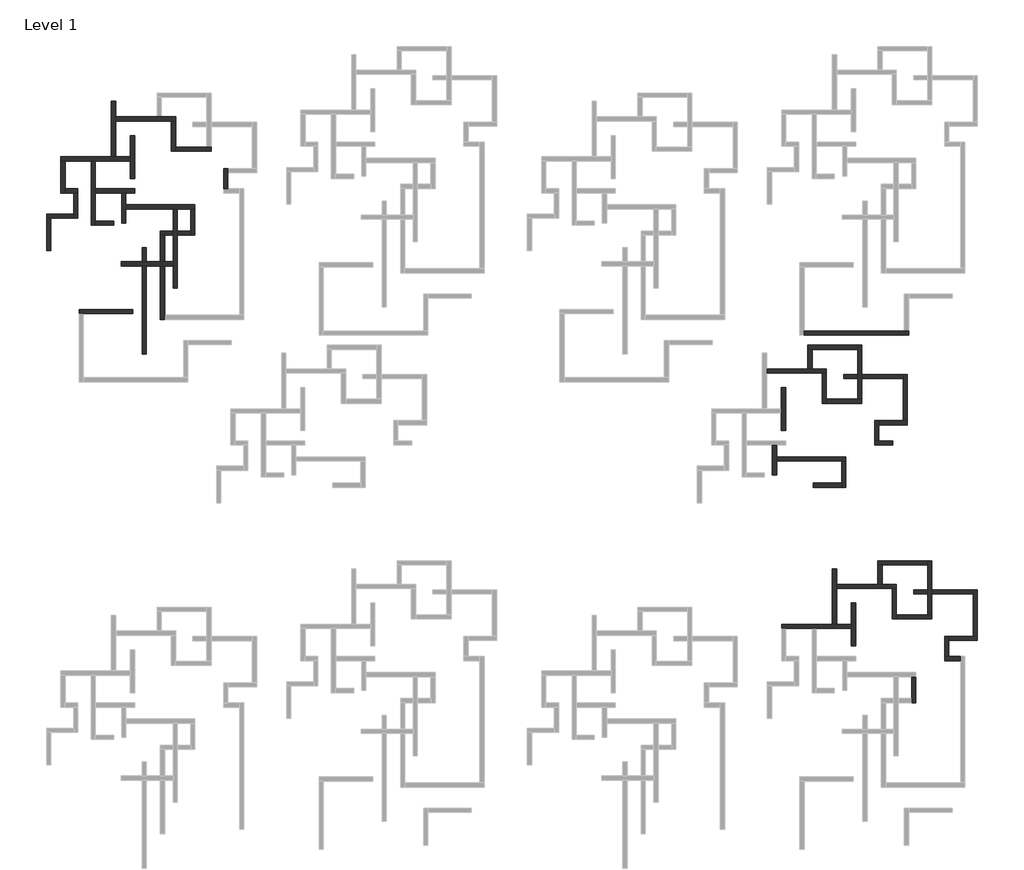
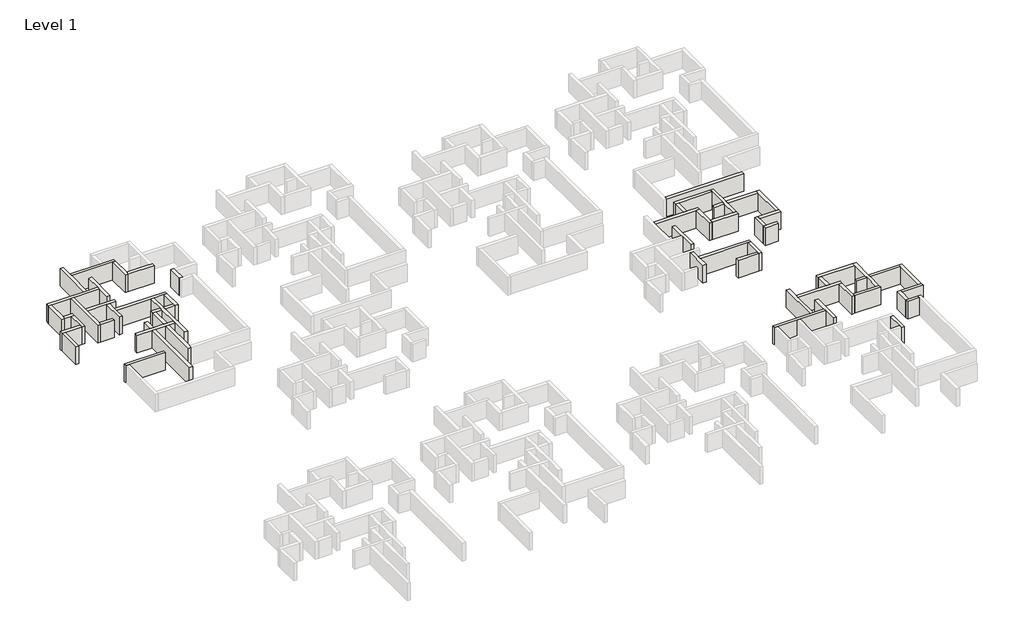
# One storey, part 5 of 7: 56 walls.
"""IFC4 building model written with IfcOpenShell, lengths in millimetres."""

from ifc_helpers import new_model, si_unit, origin, origin_with_axes, place, context, project, spatial, polyline, outline, extrude, faceted_brep, element, save

model = new_model("IFC4")

# Units and contexts
model_context = context("Model", 3, world=origin())
ifc_project = project(units=[si_unit("LENGTHUNIT", "METRE", prefix="MILLI")], contexts=[model_context])

# Site, building, storey
site = spatial("IfcSite", under=ifc_project)
building = spatial("IfcBuilding", under=site)
storey = spatial("IfcBuildingStorey", under=building, Name="Level 1", Elevation=0.0)

# Walls
placement = place(None, origin())
element("IfcWall", 1, ObjectType="Generic - 200mm", at=placement, inside=storey, context=model_context, shape_type="Brep", body=[
    faceted_brep([(-19634.8033404, 18137.4534844, 0.0), (-19134.8033404, 18137.4534844, 0.0), (-16034.8033404, 18137.4534844, 0.0), (-15534.8033404, 18137.4534844, 0.0), (-11384.8033404, 18137.4534844, 0.0), (-11384.8033404, 18137.4534844, 3000.0), (-15534.8033404, 18137.4534844, 3000.0), (-16034.8033404, 18137.4534844, 3000.0), (-19134.8033404, 18137.4534844, 3000.0), (-19634.8033404, 18137.4534844, 3000.0), (-19634.8033404, 18637.4534844, 0.0), (-19634.8033404, 18637.4534844, 3000.0), (-13634.8033404, 18637.4534844, 3000.0), (-13134.8033404, 18637.4534844, 3000.0), (-11384.8033404, 18637.4534844, 3000.0), (-11384.8033404, 18637.4534844, 0.0), (-13134.8033404, 18637.4534844, 0.0), (-13634.8033404, 18637.4534844, 0.0)], [[[0, 1, 2, 3, 4, 5, 6, 7, 8, 9]], [[10, 11, 12, 13, 14, 15, 16, 17]], [[4, 3, 2, 1, 0, 10, 17, 16, 15]], [[9, 8, 7, 6, 5, 14, 13, 12, 11]], [[0, 9, 11, 10]], [[5, 4, 15, 14]]]),
])
element("IfcWall", 2, ObjectType="Generic - 200mm", at=placement, inside=storey, context=model_context, shape_type="Brep", body=[
    faceted_brep([(-16034.8033404, 18137.4534844, 0.0), (-16034.8033404, 10537.4534844, 0.0), (-16034.8033404, 10537.4534844, 3000.0), (-16034.8033404, 18137.4534844, 3000.0), (-15534.8033404, 18137.4534844, 0.0), (-15534.8033404, 18137.4534844, 3000.0), (-15534.8033404, 14837.4534844, 3000.0), (-15534.8033404, 14337.4534844, 3000.0), (-15534.8033404, 11037.4534844, 3000.0), (-15534.8033404, 10537.4534844, 3000.0), (-15534.8033404, 10537.4534844, 0.0), (-15534.8033404, 11037.4534844, 0.0), (-15534.8033404, 14337.4534844, 0.0), (-15534.8033404, 14837.4534844, 0.0)], [[[0, 1, 2, 3]], [[4, 5, 6, 7, 8, 9, 10, 11, 12, 13]], [[1, 0, 4, 13, 12, 11, 10]], [[3, 2, 9, 8, 7, 6, 5]], [[0, 3, 5, 4]], [[2, 1, 10, 9]]]),
])
element("IfcWall", 3, ObjectType="Generic - 200mm", at=placement, inside=storey, context=model_context, shape_type="Brep", body=[
    faceted_brep([(-15534.8033404, 14337.4534844, 0.0), (-12434.8033404, 14337.4534844, 0.0), (-11934.8033404, 14337.4534844, 0.0), (-10884.8033404, 14337.4534844, 0.0), (-10884.8033404, 14337.4534844, 3000.0), (-11934.8033404, 14337.4534844, 3000.0), (-12434.8033404, 14337.4534844, 3000.0), (-15534.8033404, 14337.4534844, 3000.0), (-15534.8033404, 14837.4534844, 0.0), (-15534.8033404, 14837.4534844, 3000.0), (-10884.8033404, 14837.4534844, 3000.0), (-10884.8033404, 14837.4534844, 0.0)], [[[0, 1, 2, 3, 4, 5, 6, 7]], [[8, 9, 10, 11]], [[3, 2, 1, 0, 8, 11]], [[4, 3, 11, 10]], [[7, 6, 5, 4, 10, 9]], [[0, 7, 9, 8]]]),
])
element("IfcWall", 4, ObjectType="Generic - 200mm", at=placement, inside=storey, context=model_context, shape_type="Brep", body=[
    faceted_brep([(-12434.8033404, 14337.4534844, 0.0), (-12434.8033404, 10787.4534844, 0.0), (-12434.8033404, 10787.4534844, 3000.0), (-12434.8033404, 14337.4534844, 3000.0), (-11934.8033404, 14337.4534844, 0.0), (-11934.8033404, 14337.4534844, 3000.0), (-11934.8033404, 12937.4534844, 3000.0), (-11934.8033404, 12437.4534844, 3000.0), (-11934.8033404, 10787.4534844, 3000.0), (-11934.8033404, 10787.4534844, 0.0), (-11934.8033404, 12437.4534844, 0.0), (-11934.8033404, 12937.4534844, 0.0)], [[[0, 1, 2, 3]], [[4, 5, 6, 7, 8, 9, 10, 11]], [[1, 0, 4, 11, 10, 9]], [[2, 1, 9, 8]], [[3, 2, 8, 7, 6, 5]], [[0, 3, 5, 4]]]),
])
element("IfcWall", 5, ObjectType="Generic - 200mm", at=placement, inside=storey, context=model_context, shape_type="Brep", body=[
    faceted_brep([(-19634.8033404, 18137.4534844, 0.0), (-19634.8033404, 14337.4534844, 0.0), (-19634.8033404, 14337.4534844, 3000.0), (-19634.8033404, 18137.4534844, 3000.0), (-19134.8033404, 18137.4534844, 0.0), (-19134.8033404, 18137.4534844, 3000.0), (-19134.8033404, 14837.4534844, 3000.0), (-19134.8033404, 14337.4534844, 3000.0), (-19134.8033404, 14337.4534844, 0.0), (-19134.8033404, 14837.4534844, 0.0)], [[[0, 1, 2, 3]], [[4, 5, 6, 7, 8, 9]], [[1, 0, 4, 9, 8]], [[3, 2, 7, 6, 5]], [[0, 3, 5, 4]], [[2, 1, 8, 7]]]),
])
element("IfcWall", 6, ObjectType="Generic - 200mm", at=placement, inside=storey, context=model_context, shape_type="Brep", body=[
    faceted_brep([(-19134.8033404, 14337.4534844, 0.0), (-18134.8033404, 14337.4534844, 0.0), (-17634.8033404, 14337.4534844, 0.0), (-17634.8033404, 14337.4534844, 3000.0), (-18134.8033404, 14337.4534844, 3000.0), (-19134.8033404, 14337.4534844, 3000.0), (-19134.8033404, 14837.4534844, 0.0), (-19134.8033404, 14837.4534844, 3000.0), (-17634.8033404, 14837.4534844, 3000.0), (-17634.8033404, 14837.4534844, 0.0)], [[[0, 1, 2, 3, 4, 5]], [[6, 7, 8, 9]], [[2, 1, 0, 6, 9]], [[5, 4, 3, 8, 7]], [[0, 5, 7, 6]], [[3, 2, 9, 8]]]),
])
element("IfcWall", 7, ObjectType="Generic - 200mm", at=placement, inside=storey, context=model_context, shape_type="Brep", body=[
    faceted_brep([(-18134.8033404, 14337.4534844, 0.0), (-18134.8033404, 11837.4534844, 0.0), (-18134.8033404, 11337.4534844, 0.0), (-18134.8033404, 11337.4534844, 3000.0), (-18134.8033404, 11837.4534844, 3000.0), (-18134.8033404, 14337.4534844, 3000.0), (-17634.8033404, 14337.4534844, 0.0), (-17634.8033404, 14337.4534844, 3000.0), (-17634.8033404, 11337.4534844, 3000.0), (-17634.8033404, 11337.4534844, 0.0)], [[[0, 1, 2, 3, 4, 5]], [[6, 7, 8, 9]], [[2, 1, 0, 6, 9]], [[5, 4, 3, 8, 7]], [[0, 5, 7, 6]], [[3, 2, 9, 8]]]),
])
element("IfcWall", 8, ObjectType="Generic - 200mm", at=placement, inside=storey, context=model_context, shape_type="Brep", body=[
    faceted_brep([(-18134.8033404, 11837.4534844, 0.0), (-21334.8033404, 11837.4534844, 0.0), (-21334.8033404, 11837.4534844, 3000.0), (-18134.8033404, 11837.4534844, 3000.0), (-18134.8033404, 11337.4534844, 0.0), (-18134.8033404, 11337.4534844, 3000.0), (-20834.8033404, 11337.4534844, 3000.0), (-21334.8033404, 11337.4534844, 3000.0), (-21334.8033404, 11337.4534844, 0.0), (-20834.8033404, 11337.4534844, 0.0)], [[[0, 1, 2, 3]], [[4, 5, 6, 7, 8, 9]], [[1, 0, 4, 9, 8]], [[3, 2, 7, 6, 5]], [[0, 3, 5, 4]], [[2, 1, 8, 7]]]),
])
element("IfcWall", 9, ObjectType="Generic - 200mm", at=placement, inside=storey, context=model_context, shape_type="SweptSolid", body=[
    extrude(outline(polyline([(-21334.8033404, 7487.4534844), (-21334.8033404, 11337.4534844), (-20834.8033404, 11337.4534844), (-20834.8033404, 7487.4534844), (-21334.8033404, 7487.4534844)])), origin_with_axes(), (0.0, 0.0, 1.0), 3000.0),
])
element("IfcWall", 10, ObjectType="Generic - 200mm", at=placement, inside=storey, context=model_context, shape_type="SweptSolid", body=[
    extrude(outline(polyline([(-13384.8033404, 10537.4534844), (-15534.8033404, 10537.4534844), (-15534.8033404, 11037.4534844), (-13384.8033404, 11037.4534844), (-13384.8033404, 10537.4534844)])), origin_with_axes(), (0.0, 0.0, 1.0), 3000.0),
])
element("IfcWall", 11, ObjectType="Generic - 200mm", at=placement, inside=storey, context=model_context, shape_type="Brep", body=[
    faceted_brep([(-11934.8033404, 12437.4534844, 0.0), (-6334.8033404, 12437.4534844, 0.0), (-5834.8033404, 12437.4534844, 0.0), (-4234.8033404, 12437.4534844, 0.0), (-3734.8033404, 12437.4534844, 0.0), (-3734.8033404, 12437.4534844, 3000.0), (-4234.8033404, 12437.4534844, 3000.0), (-5834.8033404, 12437.4534844, 3000.0), (-6334.8033404, 12437.4534844, 3000.0), (-11934.8033404, 12437.4534844, 3000.0), (-11934.8033404, 12937.4534844, 0.0), (-11934.8033404, 12937.4534844, 3000.0), (-3734.8033404, 12937.4534844, 3000.0), (-3734.8033404, 12937.4534844, 0.0)], [[[0, 1, 2, 3, 4, 5, 6, 7, 8, 9]], [[10, 11, 12, 13]], [[4, 3, 2, 1, 0, 10, 13]], [[9, 8, 7, 6, 5, 12, 11]], [[0, 9, 11, 10]], [[5, 4, 13, 12]]]),
])
element("IfcWall", 12, ObjectType="Generic - 200mm", at=placement, inside=storey, context=model_context, shape_type="Brep", body=[
    faceted_brep([(-6334.8033404, 12437.4534844, 0.0), (-6334.8033404, 9837.4534844, 0.0), (-6334.8033404, 9337.4534844, 0.0), (-6334.8033404, 6187.4534844, 0.0), (-6334.8033404, 5687.4534844, 0.0), (-6334.8033404, 3037.4534844, 0.0), (-6334.8033404, 3037.4534844, 3000.0), (-6334.8033404, 5687.4534844, 3000.0), (-6334.8033404, 6187.4534844, 3000.0), (-6334.8033404, 9337.4534844, 3000.0), (-6334.8033404, 9837.4534844, 3000.0), (-6334.8033404, 12437.4534844, 3000.0), (-5834.8033404, 12437.4534844, 0.0), (-5834.8033404, 12437.4534844, 3000.0), (-5834.8033404, 9837.4534844, 3000.0), (-5834.8033404, 9337.4534844, 3000.0), (-5834.8033404, 3037.4534844, 3000.0), (-5834.8033404, 3037.4534844, 0.0), (-5834.8033404, 9337.4534844, 0.0), (-5834.8033404, 9837.4534844, 0.0)], [[[0, 1, 2, 3, 4, 5, 6, 7, 8, 9, 10, 11]], [[12, 13, 14, 15, 16, 17, 18, 19]], [[5, 4, 3, 2, 1, 0, 12, 19, 18, 17]], [[6, 5, 17, 16]], [[11, 10, 9, 8, 7, 6, 16, 15, 14, 13]], [[0, 11, 13, 12]]]),
])
element("IfcWall", 13, ObjectType="Generic - 200mm", at=placement, inside=storey, context=model_context, shape_type="Brep", body=[
    faceted_brep([(-6334.8033404, 6187.4534844, 0.0), (-7334.8033404, 6187.4534844, 0.0), (-7834.8033404, 6187.4534844, 0.0), (-9515.2174513, 6187.4534844, 0.0), (-10015.2174513, 6187.4534844, 0.0), (-12484.8033404, 6187.4534844, 0.0), (-12484.8033404, 6187.4534844, 3000.0), (-10015.2174513, 6187.4534844, 3000.0), (-9515.2174513, 6187.4534844, 3000.0), (-7834.8033404, 6187.4534844, 3000.0), (-7334.8033404, 6187.4534844, 3000.0), (-6334.8033404, 6187.4534844, 3000.0), (-6334.8033404, 5687.4534844, 0.0), (-6334.8033404, 5687.4534844, 3000.0), (-7334.8033404, 5687.4534844, 3000.0), (-7834.8033404, 5687.4534844, 3000.0), (-9515.2174513, 5687.4534844, 3000.0), (-10015.2174513, 5687.4534844, 3000.0), (-12484.8033404, 5687.4534844, 3000.0), (-12484.8033404, 5687.4534844, 0.0), (-10015.2174513, 5687.4534844, 0.0), (-9515.2174513, 5687.4534844, 0.0), (-7834.8033404, 5687.4534844, 0.0), (-7334.8033404, 5687.4534844, 0.0)], [[[0, 1, 2, 3, 4, 5, 6, 7, 8, 9, 10, 11]], [[12, 13, 14, 15, 16, 17, 18, 19, 20, 21, 22, 23]], [[5, 4, 3, 2, 1, 0, 12, 23, 22, 21, 20, 19]], [[6, 5, 19, 18]], [[11, 10, 9, 8, 7, 6, 18, 17, 16, 15, 14, 13]], [[0, 11, 13, 12]]]),
])
element("IfcWall", 14, ObjectType="Generic - 200mm", at=placement, inside=storey, context=model_context, shape_type="Brep", body=[
    faceted_brep([(-13134.8033404, 18637.4534844, 0.0), (-13134.8033404, 22887.4534844, 0.0), (-13134.8033404, 23387.4534844, 0.0), (-13134.8033404, 25237.4534844, 0.0), (-13134.8033404, 25237.4534844, 3000.0), (-13134.8033404, 23387.4534844, 3000.0), (-13134.8033404, 22887.4534844, 3000.0), (-13134.8033404, 18637.4534844, 3000.0), (-13634.8033404, 18637.4534844, 0.0), (-13634.8033404, 18637.4534844, 3000.0), (-13634.8033404, 25237.4534844, 3000.0), (-13634.8033404, 25237.4534844, 0.0)], [[[0, 1, 2, 3, 4, 5, 6, 7]], [[8, 9, 10, 11]], [[3, 2, 1, 0, 8, 11]], [[4, 3, 11, 10]], [[7, 6, 5, 4, 10, 9]], [[0, 7, 9, 8]]]),
])
element("IfcWall", 15, ObjectType="Generic - 200mm", at=placement, inside=storey, context=model_context, shape_type="Brep", body=[
    faceted_brep([(-13134.8033404, 22887.4534844, 0.0), (-6534.8033404, 22887.4534844, 0.0), (-6034.8033404, 22887.4534844, 0.0), (-6034.8033404, 22887.4534844, 3000.0), (-6534.8033404, 22887.4534844, 3000.0), (-13134.8033404, 22887.4534844, 3000.0), (-13134.8033404, 23387.4534844, 0.0), (-13134.8033404, 23387.4534844, 3000.0), (-8234.8033404, 23387.4534844, 3000.0), (-7734.8033404, 23387.4534844, 3000.0), (-6034.8033404, 23387.4534844, 3000.0), (-6034.8033404, 23387.4534844, 0.0), (-7734.8033404, 23387.4534844, 0.0), (-8234.8033404, 23387.4534844, 0.0)], [[[0, 1, 2, 3, 4, 5]], [[6, 7, 8, 9, 10, 11, 12, 13]], [[2, 1, 0, 6, 13, 12, 11]], [[5, 4, 3, 10, 9, 8, 7]], [[0, 5, 7, 6]], [[3, 2, 11, 10]]]),
])
element("IfcWall", 16, ObjectType="Generic - 200mm", at=placement, inside=storey, context=model_context, shape_type="Brep", body=[
    faceted_brep([(-10884.8033404, 16070.7509089, 0.0), (-10884.8033404, 21170.7509089, 0.0), (-10884.8033404, 21170.7509089, 3000.0), (-10884.8033404, 16070.7509089, 3000.0), (-11384.8033404, 16070.7509089, 0.0), (-11384.8033404, 16070.7509089, 3000.0), (-11384.8033404, 18137.4534844, 3000.0), (-11384.8033404, 18637.4534844, 3000.0), (-11384.8033404, 21170.7509089, 3000.0), (-11384.8033404, 21170.7509089, 0.0), (-11384.8033404, 18637.4534844, 0.0), (-11384.8033404, 18137.4534844, 0.0)], [[[0, 1, 2, 3]], [[4, 5, 6, 7, 8, 9, 10, 11]], [[1, 0, 4, 11, 10, 9]], [[2, 1, 9, 8]], [[3, 2, 8, 7, 6, 5]], [[0, 3, 5, 4]]]),
])
element("IfcWall", 17, ObjectType="Generic - 200mm", at=placement, inside=storey, context=model_context, shape_type="SweptSolid", body=[
    extrude(outline(polyline([(-9515.2174513, -4735.4605601), (-10015.2174513, -4735.4605601), (-10015.2174513, 5687.4534844), (-9515.2174513, 5687.4534844), (-9515.2174513, -4735.4605601)])), origin_with_axes(), (0.0, 0.0, 1.0), 3000.0),
    extrude(outline(polyline([(-10015.2174513, 7864.5394399), (-9515.2174513, 7864.5394399), (-9515.2174513, 6187.4534844), (-10015.2174513, 6187.4534844), (-10015.2174513, 7864.5394399)])), origin_with_axes(), (0.0, 0.0, 1.0), 3000.0),
])
element("IfcWall", 18, ObjectType="Generic - 200mm", at=placement, inside=storey, context=model_context, shape_type="Brep", body=[
    faceted_brep([(-6534.8033404, 22887.4534844, 0.0), (-6534.8033404, 19287.4534844, 0.0), (-6534.8033404, 19287.4534844, 3000.0), (-6534.8033404, 22887.4534844, 3000.0), (-6034.8033404, 22887.4534844, 0.0), (-6034.8033404, 22887.4534844, 3000.0), (-6034.8033404, 19787.4534844, 3000.0), (-6034.8033404, 19287.4534844, 3000.0), (-6034.8033404, 19287.4534844, 0.0), (-6034.8033404, 19787.4534844, 0.0)], [[[0, 1, 2, 3]], [[4, 5, 6, 7, 8, 9]], [[1, 0, 4, 9, 8]], [[3, 2, 7, 6, 5]], [[0, 3, 5, 4]], [[2, 1, 8, 7]]]),
])
element("IfcWall", 19, ObjectType="Generic - 200mm", at=placement, inside=storey, context=model_context, shape_type="Brep", body=[
    faceted_brep([(-6034.8033404, 19287.4534844, 0.0), (-1834.8033404, 19287.4534844, 0.0), (-1834.8033404, 19287.4534844, 3000.0), (-6034.8033404, 19287.4534844, 3000.0), (-6034.8033404, 19787.4534844, 0.0), (-6034.8033404, 19787.4534844, 3000.0), (-2334.8033404, 19787.4534844, 3000.0), (-1834.8033404, 19787.4534844, 3000.0), (-1834.8033404, 19787.4534844, 0.0), (-2334.8033404, 19787.4534844, 0.0)], [[[0, 1, 2, 3]], [[4, 5, 6, 7, 8, 9]], [[1, 0, 4, 9, 8]], [[3, 2, 7, 6, 5]], [[0, 3, 5, 4]], [[2, 1, 8, 7]]]),
])
element("IfcWall", 20, ObjectType="Generic - 200mm", at=placement, inside=storey, context=model_context, shape_type="Brep", body=[
    faceted_brep([(-4234.8033404, 12437.4534844, 0.0), (-4234.8033404, 9837.4534844, 0.0), (-4234.8033404, 9337.4534844, 0.0), (-4234.8033404, 9337.4534844, 3000.0), (-4234.8033404, 9837.4534844, 3000.0), (-4234.8033404, 12437.4534844, 3000.0), (-3734.8033404, 12437.4534844, 0.0), (-3734.8033404, 12437.4534844, 3000.0), (-3734.8033404, 9337.4534844, 3000.0), (-3734.8033404, 9337.4534844, 0.0)], [[[0, 1, 2, 3, 4, 5]], [[6, 7, 8, 9]], [[2, 1, 0, 6, 9]], [[5, 4, 3, 8, 7]], [[0, 5, 7, 6]], [[3, 2, 9, 8]]]),
])
element("IfcWall", 21, ObjectType="Generic - 200mm", at=placement, inside=storey, context=model_context, shape_type="Brep", body=[
    faceted_brep([(-4234.8033404, 9837.4534844, 3000.0), (-4234.8033404, 9837.4534844, 0.0), (-5834.8033404, 9837.4534844, 0.0), (-5834.8033404, 9837.4534844, 3000.0), (-4234.8033404, 9337.4534844, 0.0), (-4234.8033404, 9337.4534844, 3000.0), (-5834.8033404, 9337.4534844, 3000.0), (-5834.8033404, 9337.4534844, 0.0)], [[[0, 1, 2, 3]], [[4, 5, 6, 7]], [[1, 4, 7, 2]], [[5, 0, 3, 6]], [[1, 0, 5, 4]], [[3, 2, 7, 6]]]),
    faceted_brep([(-7834.8033404, 9837.4534844, 0.0), (-7834.8033404, 9837.4534844, 3000.0), (-6334.8033404, 9837.4534844, 3000.0), (-6334.8033404, 9837.4534844, 0.0), (-7834.8033404, 9337.4534844, 3000.0), (-7834.8033404, 9337.4534844, 0.0), (-7334.8033404, 9337.4534844, 0.0), (-6334.8033404, 9337.4534844, 0.0), (-6334.8033404, 9337.4534844, 3000.0), (-7334.8033404, 9337.4534844, 3000.0)], [[[0, 1, 2, 3]], [[4, 5, 6, 7, 8, 9]], [[5, 0, 3, 7, 6]], [[1, 4, 9, 8, 2]], [[3, 2, 8, 7]], [[1, 0, 5, 4]]]),
])
element("IfcWall", 22, ObjectType="Generic - 200mm", at=placement, inside=storey, context=model_context, shape_type="Brep", body=[
    faceted_brep([(-7834.8033404, 9337.4534844, 3000.0), (-7834.8033404, 9337.4534844, 0.0), (-7834.8033404, 6187.4534844, 0.0), (-7834.8033404, 6187.4534844, 3000.0), (-7334.8033404, 9337.4534844, 0.0), (-7334.8033404, 9337.4534844, 3000.0), (-7334.8033404, 6187.4534844, 3000.0), (-7334.8033404, 6187.4534844, 0.0)], [[[0, 1, 2, 3]], [[4, 5, 6, 7]], [[1, 4, 7, 2]], [[5, 0, 3, 6]], [[1, 0, 5, 4]], [[3, 2, 7, 6]]]),
    faceted_brep([(-7834.8033404, -662.5465156, 0.0), (-7834.8033404, -662.5465156, 3000.0), (-7834.8033404, 5687.4534844, 3000.0), (-7834.8033404, 5687.4534844, 0.0), (-7334.8033404, -662.5465156, 3000.0), (-7334.8033404, -662.5465156, 0.0), (-7334.8033404, -162.5465156, 0.0), (-7334.8033404, 5687.4534844, 0.0), (-7334.8033404, 5687.4534844, 3000.0), (-7334.8033404, -162.5465156, 3000.0)], [[[0, 1, 2, 3]], [[4, 5, 6, 7, 8, 9]], [[5, 0, 3, 7, 6]], [[1, 4, 9, 8, 2]], [[3, 2, 8, 7]], [[1, 0, 5, 4]]]),
])
element("IfcWall", 23, ObjectType="Generic - 200mm", at=placement, inside=storey, context=model_context, shape_type="Brep", body=[
    faceted_brep([(165.1966596, 14837.4534844, 0.0), (165.1966596, 16737.4534844, 0.0), (165.1966596, 17237.4534844, 0.0), (165.1966596, 17237.4534844, 3000.0), (165.1966596, 16737.4534844, 3000.0), (165.1966596, 14837.4534844, 3000.0), (-334.8033404, 14837.4534844, 0.0), (-334.8033404, 14837.4534844, 3000.0), (-334.8033404, 17237.4534844, 3000.0), (-334.8033404, 17237.4534844, 0.0)], [[[0, 1, 2, 3, 4, 5]], [[6, 7, 8, 9]], [[2, 1, 0, 6, 9]], [[5, 4, 3, 8, 7]], [[0, 5, 7, 6]], [[3, 2, 9, 8]]]),
])
element("IfcWall", 24, ObjectType="Generic - 200mm", at=placement, inside=storey, context=model_context, shape_type="Brep", body=[
    faceted_brep([(-11134.8033404, 537.4534844, 0.0), (-17484.8033404, 537.4534844, 0.0), (-17484.8033404, 537.4534844, 3000.0), (-11134.8033404, 537.4534844, 3000.0), (-11134.8033404, 37.4534844, 0.0), (-11134.8033404, 37.4534844, 3000.0), (-16984.8033404, 37.4534844, 3000.0), (-17484.8033404, 37.4534844, 3000.0), (-17484.8033404, 37.4534844, 0.0), (-16984.8033404, 37.4534844, 0.0)], [[[0, 1, 2, 3]], [[4, 5, 6, 7, 8, 9]], [[1, 0, 4, 9, 8]], [[3, 2, 7, 6, 5]], [[0, 3, 5, 4]], [[2, 1, 8, 7]]]),
])
element("IfcWall", 25, ObjectType="Generic - 200mm", at=placement, inside=storey, context=model_context, shape_type="Brep", body=[
    faceted_brep([(68482.3849796, -2529.0856497, 0.0), (80882.3849796, -2529.0856497, 0.0), (80882.3849796, -2529.0856497, 3000.0), (68482.3849796, -2529.0856497, 3000.0), (68482.3849796, -2029.0856497, 0.0), (68482.3849796, -2029.0856497, 3000.0), (80382.3849796, -2029.0856497, 3000.0), (80882.3849796, -2029.0856497, 3000.0), (80882.3849796, -2029.0856497, 0.0), (80382.3849796, -2029.0856497, 0.0)], [[[0, 1, 2, 3]], [[4, 5, 6, 7, 8, 9]], [[1, 0, 4, 9, 8]], [[3, 2, 7, 6, 5]], [[0, 3, 5, 4]], [[2, 1, 8, 7]]]),
])
element("IfcWall", 26, ObjectType="Generic - 200mm", at=placement, inside=storey, context=model_context, shape_type="Brep", body=[
    faceted_brep([(64732.3849796, -15561.6327635, 0.0), (64732.3849796, -19111.6327635, 0.0), (64732.3849796, -19111.6327635, 3000.0), (64732.3849796, -15561.6327635, 3000.0), (65232.3849796, -15561.6327635, 0.0), (65232.3849796, -15561.6327635, 3000.0), (65232.3849796, -16961.6327635, 3000.0), (65232.3849796, -17461.6327635, 3000.0), (65232.3849796, -19111.6327635, 3000.0), (65232.3849796, -19111.6327635, 0.0), (65232.3849796, -17461.6327635, 0.0), (65232.3849796, -16961.6327635, 0.0)], [[[0, 1, 2, 3]], [[4, 5, 6, 7, 8, 9, 10, 11]], [[1, 0, 4, 11, 10, 9]], [[2, 1, 9, 8]], [[3, 2, 8, 7, 6, 5]], [[0, 3, 5, 4]]]),
])
element("IfcWall", 27, ObjectType="Generic - 200mm", at=placement, inside=storey, context=model_context, shape_type="Brep", body=[
    faceted_brep([(65232.3849796, -17461.6327635, 0.0), (72932.3849796, -17461.6327635, 0.0), (73432.3849796, -17461.6327635, 0.0), (73432.3849796, -17461.6327635, 3000.0), (72932.3849796, -17461.6327635, 3000.0), (65232.3849796, -17461.6327635, 3000.0), (65232.3849796, -16961.6327635, 0.0), (65232.3849796, -16961.6327635, 3000.0), (73432.3849796, -16961.6327635, 3000.0), (73432.3849796, -16961.6327635, 0.0)], [[[0, 1, 2, 3, 4, 5]], [[6, 7, 8, 9]], [[2, 1, 0, 6, 9]], [[5, 4, 3, 8, 7]], [[0, 5, 7, 6]], [[3, 2, 9, 8]]]),
])
element("IfcWall", 28, ObjectType="Generic - 200mm", at=placement, inside=storey, context=model_context, shape_type="Brep", body=[
    faceted_brep([(64032.3849796, -7011.6327635, 0.0), (70632.3849796, -7011.6327635, 0.0), (71132.3849796, -7011.6327635, 0.0), (71132.3849796, -7011.6327635, 3000.0), (70632.3849796, -7011.6327635, 3000.0), (64032.3849796, -7011.6327635, 3000.0), (64032.3849796, -6511.6327635, 0.0), (64032.3849796, -6511.6327635, 3000.0), (68932.3849796, -6511.6327635, 3000.0), (69432.3849796, -6511.6327635, 3000.0), (71132.3849796, -6511.6327635, 3000.0), (71132.3849796, -6511.6327635, 0.0), (69432.3849796, -6511.6327635, 0.0), (68932.3849796, -6511.6327635, 0.0)], [[[0, 1, 2, 3, 4, 5]], [[6, 7, 8, 9, 10, 11, 12, 13]], [[2, 1, 0, 6, 13, 12, 11]], [[5, 4, 3, 10, 9, 8, 7]], [[0, 5, 7, 6]], [[3, 2, 11, 10]]]),
])
element("IfcWall", 29, ObjectType="Generic - 200mm", at=placement, inside=storey, context=model_context, shape_type="Brep", body=[
    faceted_brep([(66282.3849796, -13828.3353389, 0.0), (66282.3849796, -8728.3353389, 0.0), (66282.3849796, -8728.3353389, 3000.0), (66282.3849796, -13828.3353389, 3000.0), (65782.3849796, -13828.3353389, 0.0), (65782.3849796, -13828.3353389, 3000.0), (65782.3849796, -11761.6327635, 3000.0), (65782.3849796, -11261.6327635, 3000.0), (65782.3849796, -8728.3353389, 3000.0), (65782.3849796, -8728.3353389, 0.0), (65782.3849796, -11261.6327635, 0.0), (65782.3849796, -11761.6327635, 0.0)], [[[0, 1, 2, 3]], [[4, 5, 6, 7, 8, 9, 10, 11]], [[1, 0, 4, 11, 10, 9]], [[2, 1, 9, 8]], [[3, 2, 8, 7, 6, 5]], [[0, 3, 5, 4]]]),
])
element("IfcWall", 30, ObjectType="Generic - 200mm", at=placement, inside=storey, context=model_context, shape_type="Brep", body=[
    faceted_brep([(70632.3849796, -7011.6327635, 0.0), (70632.3849796, -10611.6327635, 0.0), (70632.3849796, -10611.6327635, 3000.0), (70632.3849796, -7011.6327635, 3000.0), (71132.3849796, -7011.6327635, 0.0), (71132.3849796, -7011.6327635, 3000.0), (71132.3849796, -10111.6327635, 3000.0), (71132.3849796, -10611.6327635, 3000.0), (71132.3849796, -10611.6327635, 0.0), (71132.3849796, -10111.6327635, 0.0)], [[[0, 1, 2, 3]], [[4, 5, 6, 7, 8, 9]], [[1, 0, 4, 9, 8]], [[3, 2, 7, 6, 5]], [[0, 3, 5, 4]], [[2, 1, 8, 7]]]),
])
element("IfcWall", 31, ObjectType="Generic - 200mm", at=placement, inside=storey, context=model_context, shape_type="Brep", body=[
    faceted_brep([(71132.3849796, -10611.6327635, 0.0), (75332.3849796, -10611.6327635, 0.0), (75332.3849796, -10611.6327635, 3000.0), (71132.3849796, -10611.6327635, 3000.0), (71132.3849796, -10111.6327635, 0.0), (71132.3849796, -10111.6327635, 3000.0), (74832.3849796, -10111.6327635, 3000.0), (75332.3849796, -10111.6327635, 3000.0), (75332.3849796, -10111.6327635, 0.0), (74832.3849796, -10111.6327635, 0.0)], [[[0, 1, 2, 3]], [[4, 5, 6, 7, 8, 9]], [[1, 0, 4, 9, 8]], [[3, 2, 7, 6, 5]], [[0, 3, 5, 4]], [[2, 1, 8, 7]]]),
])
element("IfcWall", 32, ObjectType="Generic - 200mm", at=placement, inside=storey, context=model_context, shape_type="Brep", body=[
    faceted_brep([(75332.3849796, -10111.6327635, 0.0), (75332.3849796, -7661.6327635, 0.0), (75332.3849796, -7161.6327635, 0.0), (75332.3849796, -3711.6327635, 0.0), (75332.3849796, -3711.6327635, 3000.0), (75332.3849796, -7161.6327635, 3000.0), (75332.3849796, -7661.6327635, 3000.0), (75332.3849796, -10111.6327635, 3000.0), (74832.3849796, -10111.6327635, 0.0), (74832.3849796, -10111.6327635, 3000.0), (74832.3849796, -7661.6327635, 3000.0), (74832.3849796, -7161.6327635, 3000.0), (74832.3849796, -4211.6327635, 3000.0), (74832.3849796, -3711.6327635, 3000.0), (74832.3849796, -3711.6327635, 0.0), (74832.3849796, -4211.6327635, 0.0), (74832.3849796, -7161.6327635, 0.0), (74832.3849796, -7661.6327635, 0.0)], [[[0, 1, 2, 3, 4, 5, 6, 7]], [[8, 9, 10, 11, 12, 13, 14, 15, 16, 17]], [[3, 2, 1, 0, 8, 17, 16, 15, 14]], [[7, 6, 5, 4, 13, 12, 11, 10, 9]], [[0, 7, 9, 8]], [[4, 3, 14, 13]]]),
])
element("IfcWall", 33, ObjectType="Generic - 200mm", at=placement, inside=storey, context=model_context, shape_type="Brep", body=[
    faceted_brep([(74832.3849796, -3711.6327635, 0.0), (68932.3849796, -3711.6327635, 0.0), (68932.3849796, -3711.6327635, 3000.0), (74832.3849796, -3711.6327635, 3000.0), (74832.3849796, -4211.6327635, 0.0), (74832.3849796, -4211.6327635, 3000.0), (69432.3849796, -4211.6327635, 3000.0), (68932.3849796, -4211.6327635, 3000.0), (68932.3849796, -4211.6327635, 0.0), (69432.3849796, -4211.6327635, 0.0)], [[[0, 1, 2, 3]], [[4, 5, 6, 7, 8, 9]], [[1, 0, 4, 9, 8]], [[3, 2, 7, 6, 5]], [[0, 3, 5, 4]], [[2, 1, 8, 7]]]),
])
element("IfcWall", 34, ObjectType="Generic - 200mm", at=placement, inside=storey, context=model_context, shape_type="SweptSolid", body=[
    extrude(outline(polyline([(68932.3849796, -6511.6327635), (68932.3849796, -4211.6327635), (69432.3849796, -4211.6327635), (69432.3849796, -6511.6327635), (68932.3849796, -6511.6327635)])), origin_with_axes(), (0.0, 0.0, 1.0), 3000.0),
])
element("IfcWall", 35, ObjectType="Generic - 200mm", at=placement, inside=storey, context=model_context, shape_type="Brep", body=[
    faceted_brep([(72932.3849796, -17461.6327635, 0.0), (72932.3849796, -20061.6327635, 0.0), (72932.3849796, -20561.6327635, 0.0), (72932.3849796, -20561.6327635, 3000.0), (72932.3849796, -20061.6327635, 3000.0), (72932.3849796, -17461.6327635, 3000.0), (73432.3849796, -17461.6327635, 0.0), (73432.3849796, -17461.6327635, 3000.0), (73432.3849796, -20561.6327635, 3000.0), (73432.3849796, -20561.6327635, 0.0)], [[[0, 1, 2, 3, 4, 5]], [[6, 7, 8, 9]], [[2, 1, 0, 6, 9]], [[5, 4, 3, 8, 7]], [[0, 5, 7, 6]], [[3, 2, 9, 8]]]),
])
element("IfcWall", 36, ObjectType="Generic - 200mm", at=placement, inside=storey, context=model_context, shape_type="SweptSolid", body=[
    extrude(outline(polyline([(69582.3849796, -20061.6327635), (72932.3849796, -20061.6327635), (72932.3849796, -20561.6327635), (69582.3849796, -20561.6327635), (69582.3849796, -20061.6327635)])), origin_with_axes(), (0.0, 0.0, 1.0), 3000.0),
])
element("IfcWall", 37, ObjectType="Generic - 200mm", at=placement, inside=storey, context=model_context, shape_type="Brep", body=[
    faceted_brep([(78982.3849796, -15061.6327635, 0.0), (77332.3849796, -15061.6327635, 0.0), (76832.3849796, -15061.6327635, 0.0), (76832.3849796, -15061.6327635, 3000.0), (77332.3849796, -15061.6327635, 3000.0), (78982.3849796, -15061.6327635, 3000.0), (78982.3849796, -15561.6327635, 0.0), (78982.3849796, -15561.6327635, 3000.0), (76832.3849796, -15561.6327635, 3000.0), (76832.3849796, -15561.6327635, 0.0)], [[[0, 1, 2, 3, 4, 5]], [[6, 7, 8, 9]], [[2, 1, 0, 6, 9]], [[5, 4, 3, 8, 7]], [[0, 5, 7, 6]], [[3, 2, 9, 8]]]),
])
element("IfcWall", 38, ObjectType="Generic - 200mm", at=placement, inside=storey, context=model_context, shape_type="Brep", body=[
    faceted_brep([(77332.3849796, -15061.6327635, 0.0), (77332.3849796, -13161.6327635, 0.0), (77332.3849796, -12661.6327635, 0.0), (77332.3849796, -12661.6327635, 3000.0), (77332.3849796, -13161.6327635, 3000.0), (77332.3849796, -15061.6327635, 3000.0), (76832.3849796, -15061.6327635, 0.0), (76832.3849796, -15061.6327635, 3000.0), (76832.3849796, -12661.6327635, 3000.0), (76832.3849796, -12661.6327635, 0.0)], [[[0, 1, 2, 3, 4, 5]], [[6, 7, 8, 9]], [[2, 1, 0, 6, 9]], [[5, 4, 3, 8, 7]], [[0, 5, 7, 6]], [[3, 2, 9, 8]]]),
])
element("IfcWall", 39, ObjectType="Generic - 200mm", at=placement, inside=storey, context=model_context, shape_type="Brep", body=[
    faceted_brep([(77332.3849796, -13161.6327635, 0.0), (80732.3849796, -13161.6327635, 0.0), (80732.3849796, -13161.6327635, 3000.0), (77332.3849796, -13161.6327635, 3000.0), (77332.3849796, -12661.6327635, 0.0), (77332.3849796, -12661.6327635, 3000.0), (80232.3849796, -12661.6327635, 3000.0), (80732.3849796, -12661.6327635, 3000.0), (80732.3849796, -12661.6327635, 0.0), (80232.3849796, -12661.6327635, 0.0)], [[[0, 1, 2, 3]], [[4, 5, 6, 7, 8, 9]], [[1, 0, 4, 9, 8]], [[3, 2, 7, 6, 5]], [[0, 3, 5, 4]], [[2, 1, 8, 7]]]),
])
element("IfcWall", 40, ObjectType="Generic - 200mm", at=placement, inside=storey, context=model_context, shape_type="Brep", body=[
    faceted_brep([(80732.3849796, -12661.6327635, 0.0), (80732.3849796, -7161.6327635, 0.0), (80732.3849796, -7161.6327635, 3000.0), (80732.3849796, -12661.6327635, 3000.0), (80232.3849796, -12661.6327635, 0.0), (80232.3849796, -12661.6327635, 3000.0), (80232.3849796, -7661.6327635, 3000.0), (80232.3849796, -7161.6327635, 3000.0), (80232.3849796, -7161.6327635, 0.0), (80232.3849796, -7661.6327635, 0.0)], [[[0, 1, 2, 3]], [[4, 5, 6, 7, 8, 9]], [[1, 0, 4, 9, 8]], [[3, 2, 7, 6, 5]], [[0, 3, 5, 4]], [[2, 1, 8, 7]]]),
])
element("IfcWall", 41, ObjectType="Generic - 200mm", at=placement, inside=storey, context=model_context, shape_type="SweptSolid", body=[
    extrude(outline(polyline([(73182.3849796, -7661.6327635), (73182.3849796, -7161.6327635), (74832.3849796, -7161.6327635), (74832.3849796, -7661.6327635), (73182.3849796, -7661.6327635)])), origin_with_axes(), (0.0, 0.0, 1.0), 3000.0),
    extrude(outline(polyline([(80232.3849796, -7161.6327635), (80232.3849796, -7661.6327635), (75332.3849796, -7661.6327635), (75332.3849796, -7161.6327635), (80232.3849796, -7161.6327635)])), origin_with_axes(), (0.0, 0.0, 1.0), 3000.0),
])
element("IfcWall", 42, ObjectType="Generic - 200mm", at=placement, inside=storey, context=model_context, shape_type="Brep", body=[
    faceted_brep([(65832.3849796, -37329.0856497, 0.0), (66332.3849796, -37329.0856497, 0.0), (69432.3849796, -37329.0856497, 0.0), (69932.3849796, -37329.0856497, 0.0), (74082.3849796, -37329.0856497, 0.0), (74082.3849796, -37329.0856497, 3000.0), (69932.3849796, -37329.0856497, 3000.0), (69432.3849796, -37329.0856497, 3000.0), (66332.3849796, -37329.0856497, 3000.0), (65832.3849796, -37329.0856497, 3000.0), (65832.3849796, -36829.0856497, 0.0), (65832.3849796, -36829.0856497, 3000.0), (71832.3849796, -36829.0856497, 3000.0), (72332.3849796, -36829.0856497, 3000.0), (74082.3849796, -36829.0856497, 3000.0), (74082.3849796, -36829.0856497, 0.0), (72332.3849796, -36829.0856497, 0.0), (71832.3849796, -36829.0856497, 0.0)], [[[0, 1, 2, 3, 4, 5, 6, 7, 8, 9]], [[10, 11, 12, 13, 14, 15, 16, 17]], [[4, 3, 2, 1, 0, 10, 17, 16, 15]], [[9, 8, 7, 6, 5, 14, 13, 12, 11]], [[0, 9, 11, 10]], [[5, 4, 15, 14]]]),
])
element("IfcWall", 43, ObjectType="Generic - 200mm", at=placement, inside=storey, context=model_context, shape_type="Brep", body=[
    faceted_brep([(72332.3849796, -36829.0856497, 0.0), (72332.3849796, -32579.0856497, 0.0), (72332.3849796, -32079.0856497, 0.0), (72332.3849796, -30229.0856497, 0.0), (72332.3849796, -30229.0856497, 3000.0), (72332.3849796, -32079.0856497, 3000.0), (72332.3849796, -32579.0856497, 3000.0), (72332.3849796, -36829.0856497, 3000.0), (71832.3849796, -36829.0856497, 0.0), (71832.3849796, -36829.0856497, 3000.0), (71832.3849796, -30229.0856497, 3000.0), (71832.3849796, -30229.0856497, 0.0)], [[[0, 1, 2, 3, 4, 5, 6, 7]], [[8, 9, 10, 11]], [[3, 2, 1, 0, 8, 11]], [[4, 3, 11, 10]], [[7, 6, 5, 4, 10, 9]], [[0, 7, 9, 8]]]),
])
element("IfcWall", 44, ObjectType="Generic - 200mm", at=placement, inside=storey, context=model_context, shape_type="Brep", body=[
    faceted_brep([(72332.3849796, -32579.0856497, 0.0), (78932.3849796, -32579.0856497, 0.0), (79432.3849796, -32579.0856497, 0.0), (79432.3849796, -32579.0856497, 3000.0), (78932.3849796, -32579.0856497, 3000.0), (72332.3849796, -32579.0856497, 3000.0), (72332.3849796, -32079.0856497, 0.0), (72332.3849796, -32079.0856497, 3000.0), (77232.3849796, -32079.0856497, 3000.0), (77732.3849796, -32079.0856497, 3000.0), (79432.3849796, -32079.0856497, 3000.0), (79432.3849796, -32079.0856497, 0.0), (77732.3849796, -32079.0856497, 0.0), (77232.3849796, -32079.0856497, 0.0)], [[[0, 1, 2, 3, 4, 5]], [[6, 7, 8, 9, 10, 11, 12, 13]], [[2, 1, 0, 6, 13, 12, 11]], [[5, 4, 3, 10, 9, 8, 7]], [[0, 5, 7, 6]], [[3, 2, 11, 10]]]),
])
element("IfcWall", 45, ObjectType="Generic - 200mm", at=placement, inside=storey, context=model_context, shape_type="Brep", body=[
    faceted_brep([(74582.3849796, -39395.7882251, 0.0), (74582.3849796, -34295.7882251, 0.0), (74582.3849796, -34295.7882251, 3000.0), (74582.3849796, -39395.7882251, 3000.0), (74082.3849796, -39395.7882251, 0.0), (74082.3849796, -39395.7882251, 3000.0), (74082.3849796, -37329.0856497, 3000.0), (74082.3849796, -36829.0856497, 3000.0), (74082.3849796, -34295.7882251, 3000.0), (74082.3849796, -34295.7882251, 0.0), (74082.3849796, -36829.0856497, 0.0), (74082.3849796, -37329.0856497, 0.0)], [[[0, 1, 2, 3]], [[4, 5, 6, 7, 8, 9, 10, 11]], [[1, 0, 4, 11, 10, 9]], [[2, 1, 9, 8]], [[3, 2, 8, 7, 6, 5]], [[0, 3, 5, 4]]]),
])
element("IfcWall", 46, ObjectType="Generic - 200mm", at=placement, inside=storey, context=model_context, shape_type="Brep", body=[
    faceted_brep([(78932.3849796, -32579.0856497, 0.0), (78932.3849796, -36179.0856497, 0.0), (78932.3849796, -36179.0856497, 3000.0), (78932.3849796, -32579.0856497, 3000.0), (79432.3849796, -32579.0856497, 0.0), (79432.3849796, -32579.0856497, 3000.0), (79432.3849796, -35679.0856497, 3000.0), (79432.3849796, -36179.0856497, 3000.0), (79432.3849796, -36179.0856497, 0.0), (79432.3849796, -35679.0856497, 0.0)], [[[0, 1, 2, 3]], [[4, 5, 6, 7, 8, 9]], [[1, 0, 4, 9, 8]], [[3, 2, 7, 6, 5]], [[0, 3, 5, 4]], [[2, 1, 8, 7]]]),
])
element("IfcWall", 47, ObjectType="Generic - 200mm", at=placement, inside=storey, context=model_context, shape_type="Brep", body=[
    faceted_brep([(79432.3849796, -36179.0856497, 0.0), (83632.3849796, -36179.0856497, 0.0), (83632.3849796, -36179.0856497, 3000.0), (79432.3849796, -36179.0856497, 3000.0), (79432.3849796, -35679.0856497, 0.0), (79432.3849796, -35679.0856497, 3000.0), (83132.3849796, -35679.0856497, 3000.0), (83632.3849796, -35679.0856497, 3000.0), (83632.3849796, -35679.0856497, 0.0), (83132.3849796, -35679.0856497, 0.0)], [[[0, 1, 2, 3]], [[4, 5, 6, 7, 8, 9]], [[1, 0, 4, 9, 8]], [[3, 2, 7, 6, 5]], [[0, 3, 5, 4]], [[2, 1, 8, 7]]]),
])
element("IfcWall", 48, ObjectType="Generic - 200mm", at=placement, inside=storey, context=model_context, shape_type="Brep", body=[
    faceted_brep([(83632.3849796, -35679.0856497, 0.0), (83632.3849796, -33229.0856497, 0.0), (83632.3849796, -32729.0856497, 0.0), (83632.3849796, -29279.0856497, 0.0), (83632.3849796, -29279.0856497, 3000.0), (83632.3849796, -32729.0856497, 3000.0), (83632.3849796, -33229.0856497, 3000.0), (83632.3849796, -35679.0856497, 3000.0), (83132.3849796, -35679.0856497, 0.0), (83132.3849796, -35679.0856497, 3000.0), (83132.3849796, -33229.0856497, 3000.0), (83132.3849796, -32729.0856497, 3000.0), (83132.3849796, -29779.0856497, 3000.0), (83132.3849796, -29279.0856497, 3000.0), (83132.3849796, -29279.0856497, 0.0), (83132.3849796, -29779.0856497, 0.0), (83132.3849796, -32729.0856497, 0.0), (83132.3849796, -33229.0856497, 0.0)], [[[0, 1, 2, 3, 4, 5, 6, 7]], [[8, 9, 10, 11, 12, 13, 14, 15, 16, 17]], [[3, 2, 1, 0, 8, 17, 16, 15, 14]], [[7, 6, 5, 4, 13, 12, 11, 10, 9]], [[0, 7, 9, 8]], [[4, 3, 14, 13]]]),
])
element("IfcWall", 49, ObjectType="Generic - 200mm", at=placement, inside=storey, context=model_context, shape_type="Brep", body=[
    faceted_brep([(83132.3849796, -29279.0856497, 0.0), (77232.3849796, -29279.0856497, 0.0), (77232.3849796, -29279.0856497, 3000.0), (83132.3849796, -29279.0856497, 3000.0), (83132.3849796, -29779.0856497, 0.0), (83132.3849796, -29779.0856497, 3000.0), (77732.3849796, -29779.0856497, 3000.0), (77232.3849796, -29779.0856497, 3000.0), (77232.3849796, -29779.0856497, 0.0), (77732.3849796, -29779.0856497, 0.0)], [[[0, 1, 2, 3]], [[4, 5, 6, 7, 8, 9]], [[1, 0, 4, 9, 8]], [[3, 2, 7, 6, 5]], [[0, 3, 5, 4]], [[2, 1, 8, 7]]]),
])
element("IfcWall", 50, ObjectType="Generic - 200mm", at=placement, inside=storey, context=model_context, shape_type="SweptSolid", body=[
    extrude(outline(polyline([(77232.3849796, -32079.0856497), (77232.3849796, -29779.0856497), (77732.3849796, -29779.0856497), (77732.3849796, -32079.0856497), (77232.3849796, -32079.0856497)])), origin_with_axes(), (0.0, 0.0, 1.0), 3000.0),
])
element("IfcWall", 51, ObjectType="Generic - 200mm", at=placement, inside=storey, context=model_context, shape_type="Brep", body=[
    faceted_brep([(81232.3849796, -43029.0856497, 0.0), (81232.3849796, -45629.0856497, 0.0), (81232.3849796, -46129.0856497, 0.0), (81232.3849796, -46129.0856497, 3000.0), (81232.3849796, -45629.0856497, 3000.0), (81232.3849796, -43029.0856497, 3000.0), (81732.3849796, -43029.0856497, 0.0), (81732.3849796, -43029.0856497, 3000.0), (81732.3849796, -46129.0856497, 3000.0), (81732.3849796, -46129.0856497, 0.0)], [[[0, 1, 2, 3, 4, 5]], [[6, 7, 8, 9]], [[2, 1, 0, 6, 9]], [[5, 4, 3, 8, 7]], [[0, 5, 7, 6]], [[3, 2, 9, 8]]]),
])
element("IfcWall", 52, ObjectType="Generic - 200mm", at=placement, inside=storey, context=model_context, shape_type="Brep", body=[
    faceted_brep([(87032.3849796, -40629.0856497, 0.0), (85632.3849796, -40629.0856497, 0.0), (85132.3849796, -40629.0856497, 0.0), (85132.3849796, -40629.0856497, 3000.0), (85632.3849796, -40629.0856497, 3000.0), (87032.3849796, -40629.0856497, 3000.0), (87032.3849796, -41129.0856497, 0.0), (87032.3849796, -41129.0856497, 3000.0), (85132.3849796, -41129.0856497, 3000.0), (85132.3849796, -41129.0856497, 0.0)], [[[0, 1, 2, 3, 4, 5]], [[6, 7, 8, 9]], [[2, 1, 0, 6, 9]], [[5, 4, 3, 8, 7]], [[0, 5, 7, 6]], [[3, 2, 9, 8]]]),
])
element("IfcWall", 53, ObjectType="Generic - 200mm", at=placement, inside=storey, context=model_context, shape_type="Brep", body=[
    faceted_brep([(85632.3849796, -40629.0856497, 0.0), (85632.3849796, -38729.0856497, 0.0), (85632.3849796, -38229.0856497, 0.0), (85632.3849796, -38229.0856497, 3000.0), (85632.3849796, -38729.0856497, 3000.0), (85632.3849796, -40629.0856497, 3000.0), (85132.3849796, -40629.0856497, 0.0), (85132.3849796, -40629.0856497, 3000.0), (85132.3849796, -38229.0856497, 3000.0), (85132.3849796, -38229.0856497, 0.0)], [[[0, 1, 2, 3, 4, 5]], [[6, 7, 8, 9]], [[2, 1, 0, 6, 9]], [[5, 4, 3, 8, 7]], [[0, 5, 7, 6]], [[3, 2, 9, 8]]]),
])
element("IfcWall", 54, ObjectType="Generic - 200mm", at=placement, inside=storey, context=model_context, shape_type="Brep", body=[
    faceted_brep([(85632.3849796, -38729.0856497, 0.0), (89032.3849796, -38729.0856497, 0.0), (89032.3849796, -38729.0856497, 3000.0), (85632.3849796, -38729.0856497, 3000.0), (85632.3849796, -38229.0856497, 0.0), (85632.3849796, -38229.0856497, 3000.0), (88532.3849796, -38229.0856497, 3000.0), (89032.3849796, -38229.0856497, 3000.0), (89032.3849796, -38229.0856497, 0.0), (88532.3849796, -38229.0856497, 0.0)], [[[0, 1, 2, 3]], [[4, 5, 6, 7, 8, 9]], [[1, 0, 4, 9, 8]], [[3, 2, 7, 6, 5]], [[0, 3, 5, 4]], [[2, 1, 8, 7]]]),
])
element("IfcWall", 55, ObjectType="Generic - 200mm", at=placement, inside=storey, context=model_context, shape_type="Brep", body=[
    faceted_brep([(89032.3849796, -38229.0856497, 0.0), (89032.3849796, -32729.0856497, 0.0), (89032.3849796, -32729.0856497, 3000.0), (89032.3849796, -38229.0856497, 3000.0), (88532.3849796, -38229.0856497, 0.0), (88532.3849796, -38229.0856497, 3000.0), (88532.3849796, -33229.0856497, 3000.0), (88532.3849796, -32729.0856497, 3000.0), (88532.3849796, -32729.0856497, 0.0), (88532.3849796, -33229.0856497, 0.0)], [[[0, 1, 2, 3]], [[4, 5, 6, 7, 8, 9]], [[1, 0, 4, 9, 8]], [[3, 2, 7, 6, 5]], [[0, 3, 5, 4]], [[2, 1, 8, 7]]]),
])
element("IfcWall", 56, ObjectType="Generic - 200mm", at=placement, inside=storey, context=model_context, shape_type="SweptSolid", body=[
    extrude(outline(polyline([(81482.3849796, -33229.0856497), (81482.3849796, -32729.0856497), (83132.3849796, -32729.0856497), (83132.3849796, -33229.0856497), (81482.3849796, -33229.0856497)])), origin_with_axes(), (0.0, 0.0, 1.0), 3000.0),
    extrude(outline(polyline([(88532.3849796, -32729.0856497), (88532.3849796, -33229.0856497), (83632.3849796, -33229.0856497), (83632.3849796, -32729.0856497), (88532.3849796, -32729.0856497)])), origin_with_axes(), (0.0, 0.0, 1.0), 3000.0),
])

save(model, "model.ifc")
